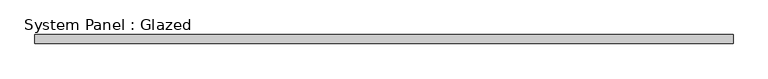
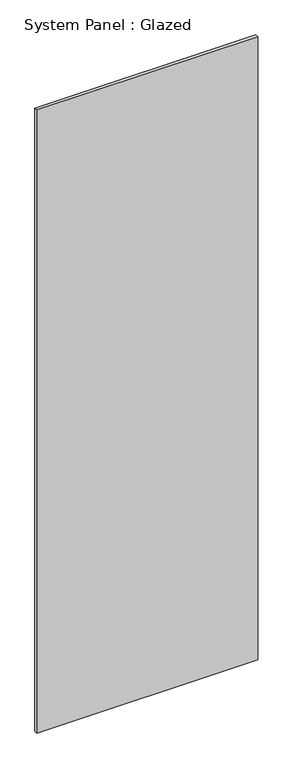
"""IFC4 building model written with IfcOpenShell, lengths in millimetres: plate geometry, System Panel : Glazed."""

from ifc_helpers import new_model, si_unit, origin, origin_with_axes, place, context, project, spatial, polyline, outline, extrude, source, transform, mapped, element, save


def system_panel_glazed_d699bd3f(model_context):
    return source(origin(), model_context, "Body", "SweptSolid", [
        extrude(outline(polyline([(1001.1833333, -44.45), (-1001.1833333, -44.45), (-1001.1833333, -19.05), (1001.1833333, -19.05), (1001.1833333, -44.45)])), origin_with_axes(), (0.0, 0.0, 1.0), 5969.0),
    ])


if __name__ == "__main__":
    model = new_model("IFC4")
    model_context = context("Model", 3, world=origin())
    ifc_project = project(units=[si_unit("LENGTHUNIT", "METRE", prefix="MILLI")], contexts=[model_context])
    site = spatial("IfcSite", under=ifc_project)
    building = spatial("IfcBuilding", under=site)
    placement = place(None, origin())
    system_panel_glazed_shape = system_panel_glazed_d699bd3f(model_context)
    element("IfcPlate", 1, ObjectType="System Panel : Glazed", at=placement, inside=building, context=model_context, shape_type="MappedRepresentation", body=[
        mapped(system_panel_glazed_shape, transform((0.0, 0.0, 0.0), x_axis=(1.0, 0.0, 0.0), y_axis=(0.0, 1.0, 0.0), z_axis=(0.0, 0.0, 1.0))),
    ])
    save(model, "model.ifc")
